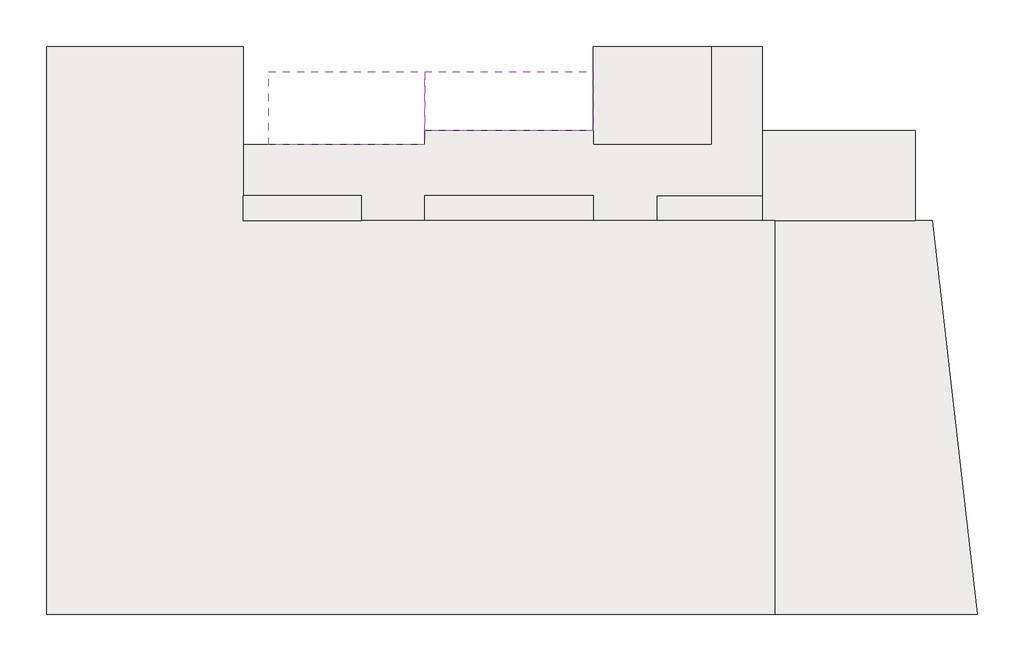
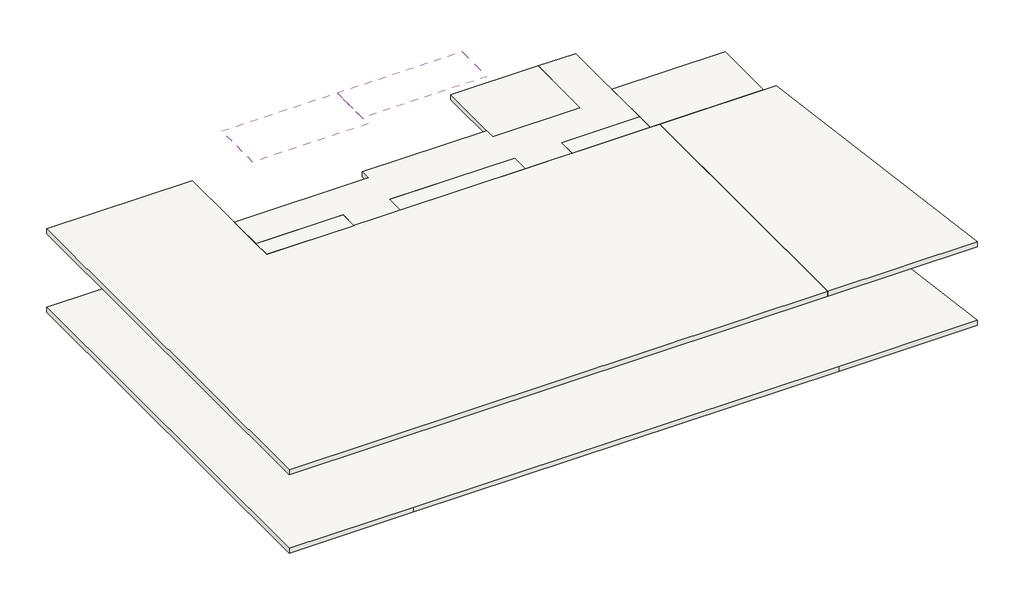
# One storey: 11 roofs.
"""IFC4 building model written with IfcOpenShell, lengths in millimetres."""

import ifcopenshell
import ifcopenshell.guid

model = None  # the IFC model being written
_history = None  # IfcOwnerHistory: only IFC2X3 demands one
_inside = {}  # id of a spatial element -> (the spatial element, [elements in it])
_under = {}  # id of a project, library or spatial element -> (it, [spatial elements below it])
_declared = {}  # id of a project -> (the project, [libraries it declares])
_typed = {}  # id of a type object -> (the type object, [elements of that type])
_made_of = {}  # id of a material, layer set ... -> (it, [elements and type objects made of it])


def new_model(schema):
    """Start an empty IFC model of exactly this schema.

    Asked for "IFC4X3", IfcOpenShell would pick the latest addendum, in which some entities
    have other attributes; the version numbers below select the first issue.
    IFC2X3 requires an IfcOwnerHistory on every rooted entity: one is made here for all.
    """
    global model, _history
    if schema == "IFC4X3":
        model = ifcopenshell.file(schema_version=(4, 3, 0, 0))
    else:
        model = ifcopenshell.file(schema=schema)
    _inside.clear()
    _under.clear()
    _declared.clear()
    _typed.clear()
    _made_of.clear()
    _history = None
    if model.schema == "IFC2X3":
        org = make("IfcOrganization", Name="unknown")
        user = make(
            "IfcPersonAndOrganization",
            ThePerson=make("IfcPerson", FamilyName="unknown"),
            TheOrganization=org,
        )
        app = make(
            "IfcApplication",
            ApplicationDeveloper=org,
            Version="unknown",
            ApplicationFullName="unknown",
            ApplicationIdentifier="unknown",
        )
        _history = make(
            "IfcOwnerHistory",
            OwningUser=user,
            OwningApplication=app,
            ChangeAction="ADDED",
            CreationDate=0,
        )
    return model


def make(cls, **values):
    """One entity of the class cls with the attributes given. An attribute that is None is left unset."""
    return model.create_entity(
        cls, **{name: value for name, value in values.items() if value is not None}
    )


def rooted(cls, **values):
    """An entity with a GlobalId (a new one), such as an element, a storey or a relation."""
    return make(cls, GlobalId=ifcopenshell.guid.new(), OwnerHistory=_history, **values)


def si_unit(unit_type, name, prefix=None):
    """IfcSIUnit, for example si_unit("LENGTHUNIT", "METRE", prefix="MILLI")."""
    return make("IfcSIUnit", UnitType=unit_type, Prefix=prefix, Name=name)


def assignment(units):
    """IfcUnitAssignment: the units of a project."""
    return None if units is None else make("IfcUnitAssignment", Units=units)


def point(xyz):
    """IfcCartesianPoint."""
    return None if xyz is None else make("IfcCartesianPoint", Coordinates=xyz)


def direction(xyz):
    """IfcDirection."""
    return None if xyz is None else make("IfcDirection", DirectionRatios=xyz)


def frame(location, z_axis=None, x_axis=None):
    """IfcAxis2Placement3D, a coordinate frame: its origin and axes. An axis left out is left unset."""
    return make(
        "IfcAxis2Placement3D",
        Location=point(location),
        Axis=direction(z_axis),
        RefDirection=direction(x_axis),
    )


def origin():
    """The frame at (0, 0, 0) with its axes left unset."""
    return frame((0.0, 0.0, 0.0))


def place(relative_to, where):
    """IfcLocalPlacement: puts the frame where relative to a parent placement (None: the world)."""
    return make(
        "IfcLocalPlacement", PlacementRelTo=relative_to, RelativePlacement=where
    )


def context(
    kind, dimensions, precision=None, world=None, true_north=None, identifier=None
):
    """IfcGeometricRepresentationContext, for example the 3D "Model" context."""
    return make(
        "IfcGeometricRepresentationContext",
        ContextIdentifier=identifier,
        ContextType=kind,
        CoordinateSpaceDimension=dimensions,
        Precision=precision,
        WorldCoordinateSystem=world,
        TrueNorth=true_north,
    )


def project(units=None, contexts=None):
    """IfcProject with its units and contexts."""
    return rooted(
        "IfcProject",
        Name="project",
        RepresentationContexts=contexts,
        UnitsInContext=assignment(units),
    )


def spatial(cls, under=None, at=None, **own):
    """A site, building, storey or space (cls), placed at a placement, below another one or the project."""
    s = rooted(cls, ObjectPlacement=at, **own)
    if under is not None:
        _under.setdefault(under.id(), (under, []))[1].append(s)
    return s


def polyline(points):
    """IfcPolyline through the points."""
    return make("IfcPolyline", Points=[point(p) for p in points])


def outline(outer, holes=None, kind="AREA"):
    """IfcArbitraryClosedProfileDef: a profile drawn as a closed curve; with holes, ...WithVoids."""
    if holes is None:
        return make("IfcArbitraryClosedProfileDef", ProfileType=kind, OuterCurve=outer)
    return make(
        "IfcArbitraryProfileDefWithVoids",
        ProfileType=kind,
        OuterCurve=outer,
        InnerCurves=holes,
    )


def extrude(swept, where, along, depth):
    """IfcExtrudedAreaSolid: the profile swept, set in the frame where, extruded along a direction by depth."""
    return make(
        "IfcExtrudedAreaSolid",
        SweptArea=swept,
        Position=where,
        ExtrudedDirection=direction(along),
        Depth=depth,
    )


def shape(context_of_items, identifier, shape_type, items):
    """IfcShapeRepresentation: the items that make up one representation, for example the "Body"."""
    return make(
        "IfcShapeRepresentation",
        ContextOfItems=context_of_items,
        RepresentationIdentifier=identifier,
        RepresentationType=shape_type,
        Items=items,
    )


def made_of(thing, what):
    """Note that an element or type object is made of a material, layer set ...; save() writes the relation."""
    if what is not None:
        _made_of.setdefault(what.id(), (what, []))[1].append(thing)
    return thing


def element(
    cls,
    number,
    at=None,
    inside=None,
    cuts=None,
    type_object=None,
    material=None,
    context=None,
    identifier="Body",
    shape_type=None,
    held_by="IfcProductDefinitionShape",
    body=None,
    shapes=None,
    **own,
):
    """One element of the class cls, such as IfcWall. Its Tag is "e" and its number.

    at: its placement. inside: the storey or other place that contains it. cuts: it is an
    opening in that element (IfcRelVoidsElement). A single representation is given by context,
    identifier, shape_type and body (its items); several are given by shapes. held_by: the class
    of the entity that holds the representations. save() writes the other relations.
    """
    e = rooted(cls, Tag="e%d" % number, ObjectPlacement=at, **own)
    if body is not None:
        shapes = [shape(context, identifier, shape_type, body)]
    if shapes is not None:
        e.Representation = make(held_by, Representations=shapes)
    if inside is not None:
        _inside.setdefault(inside.id(), (inside, []))[1].append(e)
    if cuts is not None:
        rooted(
            "IfcRelVoidsElement", RelatingBuildingElement=cuts, RelatedOpeningElement=e
        )
    if type_object is not None:
        _typed.setdefault(type_object.id(), (type_object, []))[1].append(e)
    return made_of(e, material)


def aggregate(whole, parts):
    """IfcRelAggregates: a whole, such as a stair, and the parts it consists of."""
    return rooted("IfcRelAggregates", RelatingObject=whole, RelatedObjects=parts)


def save(model, path):
    """Write the relations noted so far, then the file.

    IfcRelAggregates (storeys below a building ...), IfcRelContainedInSpatialStructure (elements
    in a storey), IfcRelDefinesByType, IfcRelAssociatesMaterial and IfcRelDeclares: one each for
    every whole, place, type object, material and project.
    """
    for whole, parts in _under.values():
        aggregate(whole, parts)
    for where, things in _inside.values():
        rooted(
            "IfcRelContainedInSpatialStructure",
            RelatedElements=things,
            RelatingStructure=where,
        )
    for kind, things in _typed.values():
        rooted("IfcRelDefinesByType", RelatedObjects=things, RelatingType=kind)
    for what, things in _made_of.values():
        rooted("IfcRelAssociatesMaterial", RelatedObjects=things, RelatingMaterial=what)
    for by, libraries in _declared.values():
        rooted("IfcRelDeclares", RelatingContext=by, RelatedDefinitions=libraries)
    model.write(path)


model = new_model("IFC4")

# Units and contexts
model_context = context("Model", 3, world=origin())
ifc_project = project(units=[si_unit("LENGTHUNIT", "METRE", prefix="MILLI")], contexts=[model_context])

# Site, building, storey
site = spatial("IfcSite", under=ifc_project)
building = spatial("IfcBuilding", under=site)
storey = spatial("IfcBuildingStorey", under=building, Elevation=33200.0)

# Roofs
placement = place(None, origin())
element("IfcRoof", 1, ObjectType="250", at=placement, inside=storey, context=model_context, shape_type="SweptSolid", body=[
    extrude(outline(polyline([(-28845.9784025, 16649.6868987), (-21845.9784025, 16649.6868987), (-21845.9784025, 10449.6868987), (-2945.9784025, 10449.6868987), (-2945.9784025, -3550.3131013), (-28845.9784025, -3550.3131013), (-28845.9784025, 16649.6868987)])), frame((0.0, 0.0, 32350.0), z_axis=(0.0, 0.0, 1.0), x_axis=(1.0, 0.0, 0.0)), (0.0, 0.0, 1.0), 250.0),
])
element("IfcRoof", 2, ObjectType="250", at=placement, inside=storey, context=model_context, shape_type="SweptSolid", body=[
    extrude(outline(polyline([(-20945.9784025, 13149.6868987), (-20945.9784025, 15749.6868987), (-15395.9784025, 15749.6868987), (-15395.9784025, 13149.6868987), (-20945.9784025, 13149.6868987)])), frame((0.0, 0.0, 35350.0), z_axis=(0.0, 0.0, 1.0), x_axis=(1.0, 0.0, 0.0)), (0.0, 0.0, 1.0), 250.0),
])
element("IfcRoof", 3, ObjectType="250", at=placement, inside=storey, context=model_context, shape_type="SweptSolid", body=[
    extrude(outline(polyline([(-15395.9784025, 13649.6868987), (-15395.9784025, 15749.6868987), (-9395.9784025, 15749.6868987), (-9395.9784025, 13649.6868987), (-15395.9784025, 13649.6868987)])), frame((0.0, 0.0, 35350.0), z_axis=(0.0, 0.0, 1.0), x_axis=(1.0, 0.0, 0.0)), (0.0, 0.0, 1.0), 250.0),
])
element("IfcRoof", 4, ObjectType="250", at=placement, inside=storey, context=model_context, shape_type="SweptSolid", body=[
    extrude(outline(polyline([(-21845.9784025, 13149.6868987), (-15395.9784025, 13149.6868987), (-15395.9784025, 13649.6868987), (-9395.9784025, 13649.6868987), (-9395.9784025, 13149.6868987), (-5195.9784025, 13149.6868987), (-5195.9784025, 16649.6868987), (-3395.9784025, 16649.6868987), (-3395.9784025, 11349.6868987), (-7145.9784025, 11349.6868987), (-7145.9784025, 10449.6868987), (-9395.9784025, 10449.6868987), (-9395.9784025, 11349.6868987), (-15395.9784025, 11349.6868987), (-15395.9784025, 10449.6868987), (-17645.9784025, 10449.6868987), (-17645.9784025, 11349.6868987), (-21845.9784025, 11349.6868987), (-21845.9784025, 13149.6868987)])), frame((0.0, 0.0, 32350.0), z_axis=(0.0, 0.0, 1.0), x_axis=(1.0, 0.0, 0.0)), (0.0, 0.0, 1.0), 250.0),
])
element("IfcRoof", 5, ObjectType="250", at=placement, inside=storey, context=model_context, shape_type="SweptSolid", body=[
    extrude(outline(polyline([(-21845.9784025, 10449.6868987), (-21845.9784025, 11349.6868987), (-17645.9784025, 11349.6868987), (-17645.9784025, 10449.6868987), (-21845.9784025, 10449.6868987)])), frame((0.0, 0.0, 32350.0), z_axis=(0.0, 0.0, 1.0), x_axis=(1.0, 0.0, 0.0)), (0.0, 0.0, 1.0), 250.0),
])
element("IfcRoof", 6, ObjectType="250", at=placement, inside=storey, context=model_context, shape_type="SweptSolid", body=[
    extrude(outline(polyline([(-15395.9784025, 10449.6868987), (-15395.9784025, 11349.6868987), (-9395.9784025, 11349.6868987), (-9395.9784025, 10449.6868987), (-15395.9784025, 10449.6868987)])), frame((0.0, 0.0, 32350.0), z_axis=(0.0, 0.0, 1.0), x_axis=(1.0, 0.0, 0.0)), (0.0, 0.0, 1.0), 250.0),
])
element("IfcRoof", 7, ObjectType="250", at=placement, inside=storey, context=model_context, shape_type="SweptSolid", body=[
    extrude(outline(polyline([(-7145.9784025, 10449.6868987), (-7145.9784025, 11349.6868987), (-3395.9784025, 11349.6868987), (-3395.9784025, 10449.6868987), (-7145.9784025, 10449.6868987)])), frame((0.0, 0.0, 32350.0), z_axis=(0.0, 0.0, 1.0), x_axis=(1.0, 0.0, 0.0)), (0.0, 0.0, 1.0), 250.0),
])
element("IfcRoof", 8, ObjectType="250", at=placement, inside=storey, context=model_context, shape_type="SweptSolid", body=[
    extrude(outline(polyline([(-9395.9784025, 13149.6868987), (-9395.9784025, 16649.6868987), (-5195.9784025, 16649.6868987), (-5195.9784025, 13149.6868987), (-9395.9784025, 13149.6868987)])), frame((0.0, 0.0, 32350.0), z_axis=(0.0, 0.0, 1.0), x_axis=(1.0, 0.0, 0.0)), (0.0, 0.0, 1.0), 250.0),
])
element("IfcRoof", 9, ObjectType="250", at=placement, inside=storey, context=model_context, shape_type="SweptSolid", body=[
    extrude(outline(polyline([(-3395.9784025, 10449.6868987), (-3395.9784025, 13649.6868987), (2054.0215975, 13649.6868987), (2054.0215975, 10449.6868987), (-3395.9784025, 10449.6868987)])), frame((0.0, 0.0, 32350.0), z_axis=(0.0, 0.0, 1.0), x_axis=(1.0, 0.0, 0.0)), (0.0, 0.0, 1.0), 250.0),
])
element("IfcRoof", 10, ObjectType="250", at=placement, inside=storey, context=model_context, shape_type="SweptSolid", body=[
    extrude(outline(polyline([(4261.9595949, -3550.3131013), (-2395.9784025, -3550.3131013), (-22845.9784025, -3550.3131013), (-28845.9784025, -3550.3131013), (-28845.9784025, 16649.6868987), (-21845.9784025, 16649.6868987), (-21845.9784025, 10449.6868987), (2661.9595949, 10449.6868987), (4261.9595949, -3550.3131013)])), frame((0.0, 0.0, 28350.0), z_axis=(0.0, 0.0, 1.0), x_axis=(1.0, 0.0, 0.0)), (0.0, 0.0, 1.0), 250.0),
])
element("IfcRoof", 11, ObjectType="250", at=placement, inside=storey, context=model_context, shape_type="SweptSolid", body=[
    extrude(outline(polyline([(-2945.9784025, 10449.6868987), (2661.9595949, 10449.6868987), (4261.9595949, -3550.3131013), (-2945.9784025, -3550.3131013), (-2945.9784025, 10449.6868987)])), frame((0.0, 0.0, 32350.0), z_axis=(0.0, 0.0, 1.0), x_axis=(1.0, 0.0, 0.0)), (0.0, 0.0, 1.0), 250.0),
])

save(model, "model.ifc")
